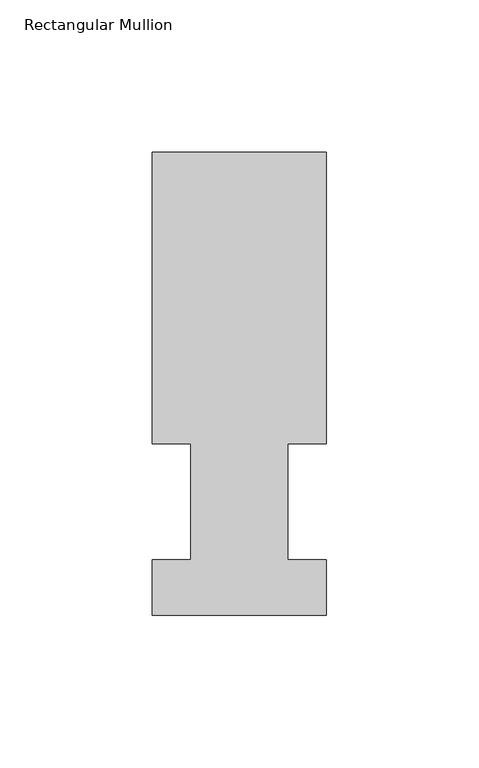
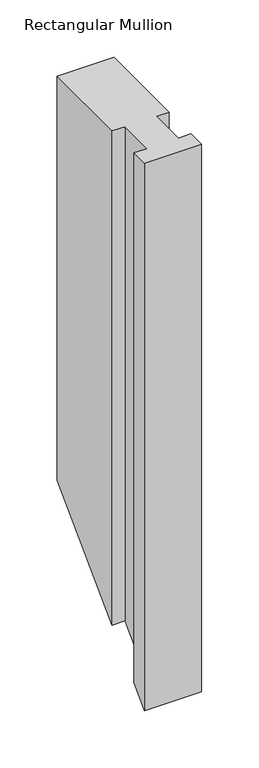
"""IFC4 building model written with IfcOpenShell, lengths in millimetres: member geometry, Rectangular Mullion."""

from ifc_helpers import new_model, si_unit, origin, place, context, project, spatial, faceted_brep, source, transform, mapped, element, save


def rectangular_mullion_96a126a9(model_context):
    return source(origin(), model_context, "Body", "Brep", [
        faceted_brep([(0.0, 151.98725, 0.0), (-57.15, 151.98725, 0.0), (-57.15, 56.35625, 0.0), (-44.45, 56.35625, 0.0), (-44.45, 18.25625, 0.0), (-57.15, 18.25625, 0.0), (-57.15, -0.03175, 0.0), (0.0, -0.03175, 0.0), (0.0, 18.25625, 0.0), (-12.7, 18.25625, 0.0), (-12.7, 56.35625, 0.0), (0.0, 56.35625, 0.0), (0.0, 151.98725, -429.03775), (-57.15, 151.98725, -429.03775), (-57.15, 56.35625, -524.66875), (-44.45, 56.35625, -524.66875), (-44.45, 18.25625, -562.76875), (-57.15, 18.25625, -562.76875), (-57.15, -0.03175, -581.05675), (0.0, -0.03175, -581.05675), (0.0, 18.25625, -562.76875), (-12.7, 18.25625, -562.76875), (-12.7, 56.35625, -524.66875), (0.0, 56.35625, -524.66875)], [[[0, 1, 2, 3, 4, 5, 6, 7, 8, 9, 10, 11]], [[1, 0, 12, 13]], [[2, 1, 13, 14]], [[3, 2, 14, 15]], [[4, 3, 15, 16]], [[5, 4, 16, 17]], [[6, 5, 17, 18]], [[7, 6, 18, 19]], [[8, 7, 19, 20]], [[9, 8, 20, 21]], [[10, 9, 21, 22]], [[11, 10, 22, 23]], [[0, 11, 23, 12]], [[12, 23, 22, 21, 20, 19, 18, 17, 16, 15, 14, 13]]]),
    ])


if __name__ == "__main__":
    model = new_model("IFC4")
    model_context = context("Model", 3, world=origin())
    ifc_project = project(units=[si_unit("LENGTHUNIT", "METRE", prefix="MILLI")], contexts=[model_context])
    site = spatial("IfcSite", under=ifc_project)
    building = spatial("IfcBuilding", under=site)
    placement = place(None, origin())
    rectangular_mullion_shape = rectangular_mullion_96a126a9(model_context)
    element("IfcMember", 1, ObjectType="Rectangular Mullion", at=placement, inside=building, context=model_context, shape_type="MappedRepresentation", body=[
        mapped(rectangular_mullion_shape, transform((0.0, 0.0, 0.0), x_axis=(1.0, 0.0, 0.0), y_axis=(0.0, 1.0, 0.0), z_axis=(0.0, 0.0, 1.0))),
    ])
    save(model, "model.ifc")
